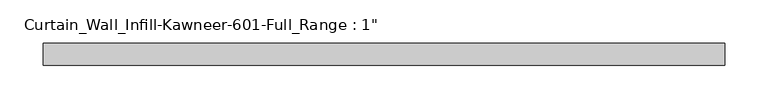
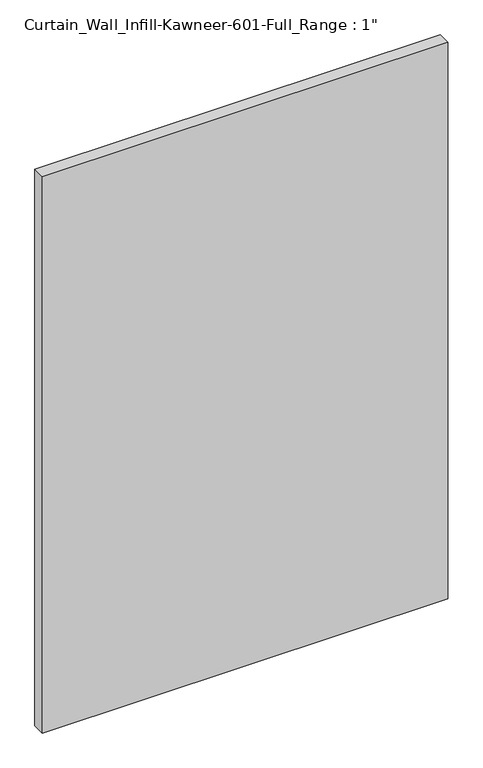
"""IFC4 building model written with IfcOpenShell, lengths in millimetres: plate geometry."""

from ifc_helpers import new_model, si_unit, origin, origin_with_axes, place, context, project, spatial, polyline, outline, extrude, source, transform, mapped, element, save


def plate_540017ad(model_context):
    return source(origin(), model_context, "Body", "SweptSolid", [
        extrude(outline(polyline([(-393.7, 12.7), (393.7, 12.7), (393.7, -12.7), (-393.7, -12.7), (-393.7, 12.7)])), origin_with_axes(), (0.0, 0.0, 1.0), 1143.0),
    ])


if __name__ == "__main__":
    model = new_model("IFC4")
    model_context = context("Model", 3, world=origin())
    ifc_project = project(units=[si_unit("LENGTHUNIT", "METRE", prefix="MILLI")], contexts=[model_context])
    site = spatial("IfcSite", under=ifc_project)
    building = spatial("IfcBuilding", under=site)
    placement = place(None, origin())
    plate_shape = plate_540017ad(model_context)
    element("IfcPlate", 1, ObjectType="Curtain_Wall_Infill-Kawneer-601-Full_Range : 1\"", at=placement, inside=building, context=model_context, shape_type="MappedRepresentation", body=[
        mapped(plate_shape, transform((0.0, 0.0, 0.0), x_axis=(1.0, 0.0, 0.0), y_axis=(0.0, 1.0, 0.0), z_axis=(0.0, 0.0, 1.0))),
    ])
    save(model, "model.ifc")
